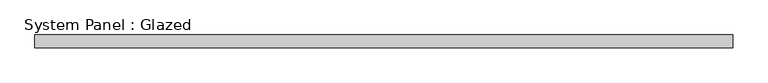
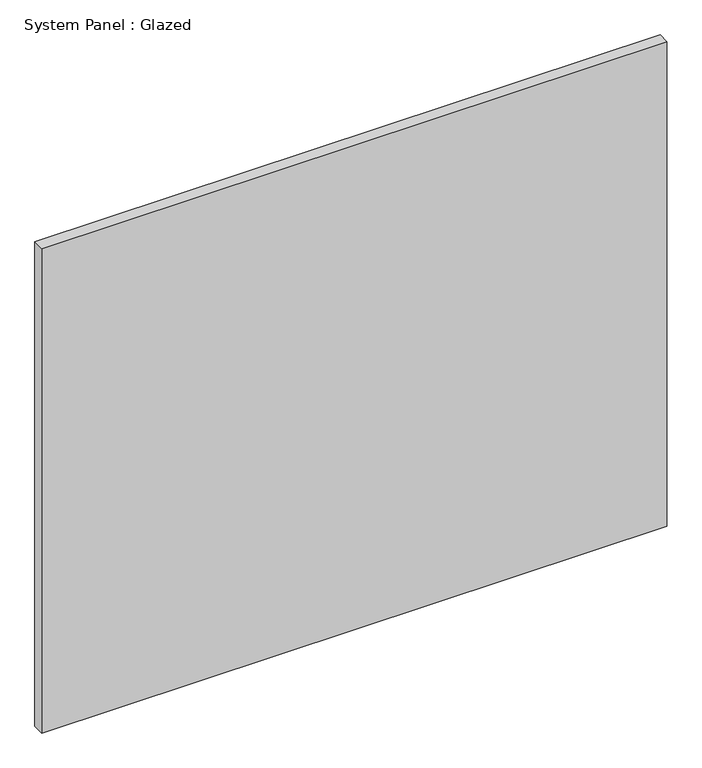
"""IFC4 building model written with IfcOpenShell, lengths in millimetres: plate geometry, System Panel : Glazed."""

from ifc_helpers import new_model, si_unit, origin, origin_with_axes, place, context, project, spatial, polyline, outline, extrude, source, transform, mapped, element, save


def system_panel_glazed_33bb5d09(model_context):
    return source(origin(), model_context, "Body", "SweptSolid", [
        extrude(outline(polyline([(685.8, -44.45), (-685.8, -44.45), (-685.8, -19.05), (685.8, -19.05), (685.8, -44.45)])), origin_with_axes(), (0.0, 0.0, 1.0), 1123.95),
    ])


if __name__ == "__main__":
    model = new_model("IFC4")
    model_context = context("Model", 3, world=origin())
    ifc_project = project(units=[si_unit("LENGTHUNIT", "METRE", prefix="MILLI")], contexts=[model_context])
    site = spatial("IfcSite", under=ifc_project)
    building = spatial("IfcBuilding", under=site)
    placement = place(None, origin())
    system_panel_glazed_shape = system_panel_glazed_33bb5d09(model_context)
    element("IfcPlate", 1, ObjectType="System Panel : Glazed", at=placement, inside=building, context=model_context, shape_type="MappedRepresentation", body=[
        mapped(system_panel_glazed_shape, transform((0.0, 0.0, 0.0), x_axis=(1.0, 0.0, 0.0), y_axis=(0.0, 1.0, 0.0), z_axis=(0.0, 0.0, 1.0))),
    ])
    save(model, "model.ifc")
